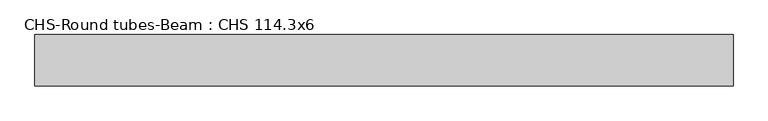
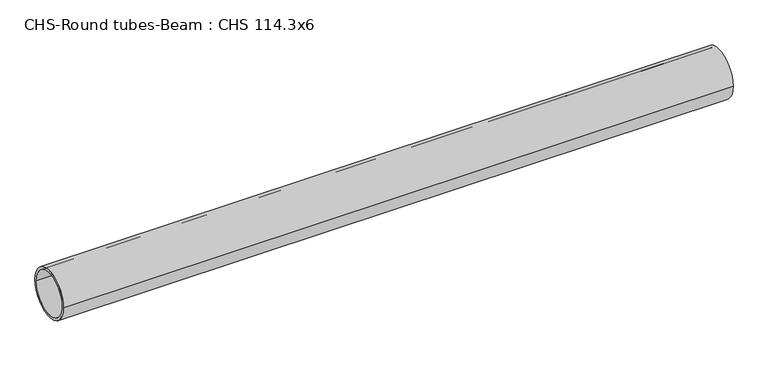
"""IFC4 building model written with IfcOpenShell, lengths in millimetres: beam geometry, CHS-Round tubes-Beam : CHS 114.3x6."""

from ifc_helpers import new_model, si_unit, point, frame, origin, origin_2d, place, context, project, spatial, circle_curve, trimmed, segment, composite_curve, outline, extrude, source, transform, mapped, element, save


def chs_round_tubes_beam_chs_114_3x6_5c09952b(model_context):
    return source(origin(), model_context, "Body", "SweptSolid", [
        extrude(outline(composite_curve([segment(trimmed(circle_curve(origin_2d(), 57.15), [point((57.15, 0.0))], [point((-57.15, 0.0))], False, "CARTESIAN"), True, "CONTINUOUS"), segment(trimmed(circle_curve(origin_2d(), 57.15), [point((-57.15, 0.0))], [point((57.15, 0.0))], False, "CARTESIAN"), True, "CONTINUOUS")], self_intersect=False), holes=[composite_curve([segment(trimmed(circle_curve(origin_2d(), 51.15), [point((51.15, 0.0))], [point((-51.15, 0.0))], True, "CARTESIAN"), True, "CONTINUOUS"), segment(trimmed(circle_curve(origin_2d(), 51.15), [point((-51.15, 0.0))], [point((51.15, 0.0))], True, "CARTESIAN"), True, "CONTINUOUS")], self_intersect=False)]), frame((-789.7894168, 0.0, 0.0), z_axis=(1.0, 0.0, 0.0), x_axis=(0.0, 1.0, 0.0)), (0.0, 0.0, 1.0), 1554.8348483),
    ])


if __name__ == "__main__":
    model = new_model("IFC4")
    model_context = context("Model", 3, world=origin())
    ifc_project = project(units=[si_unit("LENGTHUNIT", "METRE", prefix="MILLI")], contexts=[model_context])
    site = spatial("IfcSite", under=ifc_project)
    building = spatial("IfcBuilding", under=site)
    placement = place(None, origin())
    chs_round_tubes_beam_chs_114_3x6_shape = chs_round_tubes_beam_chs_114_3x6_5c09952b(model_context)
    element("IfcBeam", 1, ObjectType="CHS-Round tubes-Beam : CHS 114.3x6", at=placement, inside=building, context=model_context, shape_type="MappedRepresentation", body=[
        mapped(chs_round_tubes_beam_chs_114_3x6_shape, transform((0.0, 0.0, 0.0), x_axis=(1.0, 0.0, 0.0), y_axis=(0.0, 1.0, 0.0), z_axis=(0.0, 0.0, 1.0))),
    ])
    save(model, "model.ifc")
